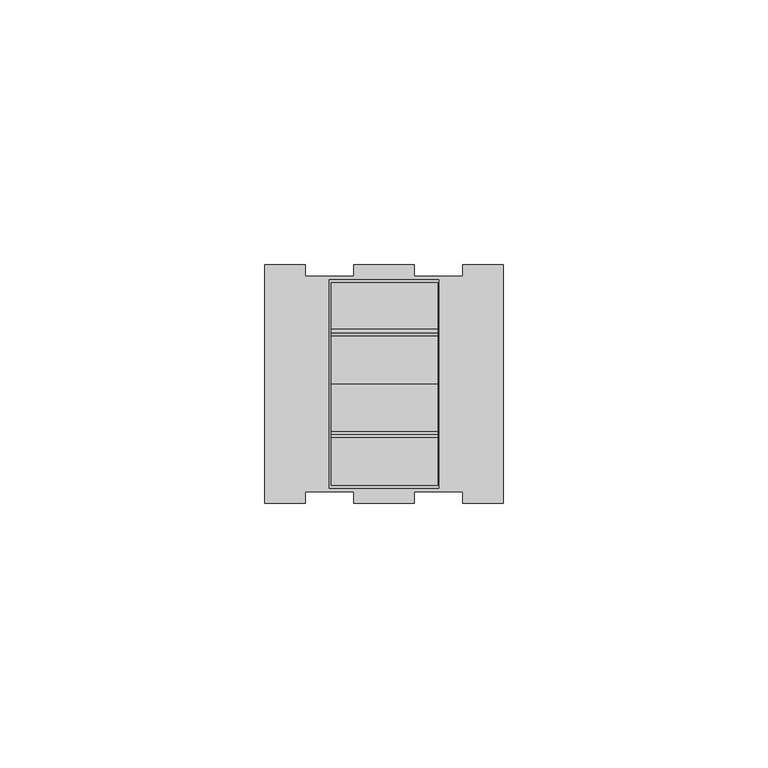
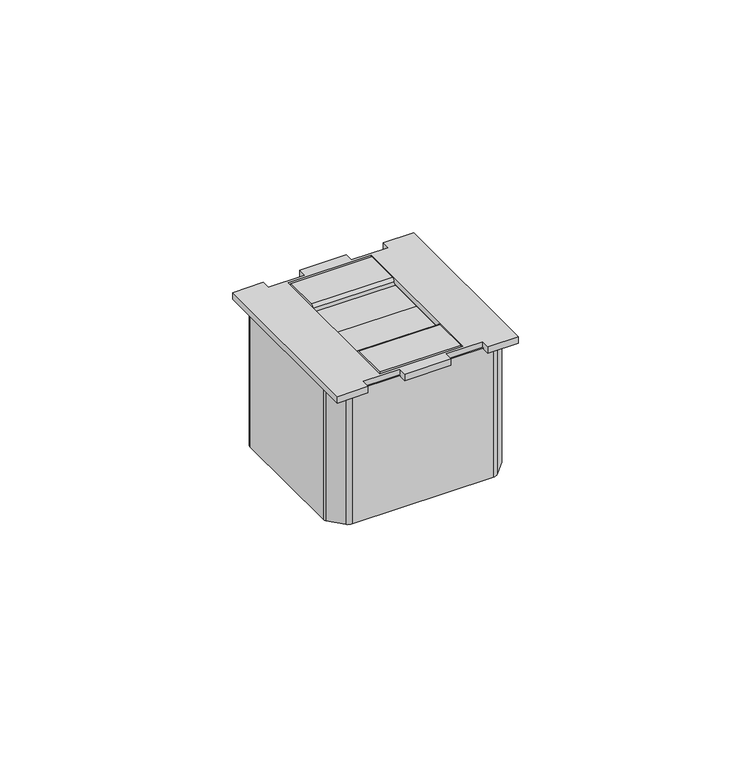
"""IFC4 building model written with IfcOpenShell, lengths in millimetres: proxy geometry."""

from ifc_helpers import new_model, si_unit, point, frame, frame_2d, origin, origin_with_axes, place, context, project, spatial, polyline, circle_curve, trimmed, segment, composite_curve, outline, extrude, source, transform, mapped, element, save


def electrical_fixtures_692cff9f(model_context):
    return source(origin(), model_context, "Body", "SweptSolid", [
        extrude(outline(composite_curve([segment(trimmed(circle_curve(frame_2d((12.3110273, 0.9740217)), 0.7429406), [point((12.3110273, 1.7169623))], [point((13.0539679, 0.9740217))], False, "CARTESIAN"), True, "CONTINUOUS"), segment(trimmed(circle_curve(frame_2d((13.6226634, 0.9740217)), 0.5686955), [point((13.0539679, 0.9740217))], [point((13.6226634, 0.4053262))], True, "CARTESIAN"), True, "CONTINUOUS"), segment(polyline([(13.6226634, 0.4053262), (22.5, 0.4053262), (31.570381, 0.4053262)]), True, "CONTINUOUS"), segment(trimmed(circle_curve(frame_2d((31.570381, 0.9740217)), 0.5686955), [point((31.570381, 0.4053262))], [point((32.1390765, 0.9740217))], True, "CARTESIAN"), True, "CONTINUOUS"), segment(trimmed(circle_curve(frame_2d((32.8820172, 0.9740217)), 0.7429406), [point((32.1390765, 0.9740217))], [point((32.8820172, 1.7169623))], False, "CARTESIAN"), True, "CONTINUOUS"), segment(polyline([(32.8820172, 1.7169623), (41.590183, 1.7169623), (41.590183, 0.0), (3.409817, 0.0), (3.409817, 1.7169623), (12.3110273, 1.7169623)]), True, "CONTINUOUS")], self_intersect=False)), frame((12.509778, 0.0, 0.0), z_axis=(1.0, 0.0, 0.0), x_axis=(0.0, 1.0, 0.0)), (0.0, 0.0, 1.0), 20.122998),
        extrude(outline(composite_curve([segment(trimmed(circle_curve(frame_2d((22.9785709, 22.0163771)), 28.0250427), [point((0.6708855, 38.9801677))], [point((3.6496058, 42.3090883))], False, "CARTESIAN"), True, "CONTINUOUS"), segment(trimmed(circle_curve(frame_2d((5.0058625, 40.8852084)), 1.9664349), [point((3.6496058, 42.3090883))], [point((5.0058625, 42.8516432))], False, "CARTESIAN"), True, "CONTINUOUS"), segment(polyline([(5.0058625, 42.8516432), (39.9941375, 42.8516432)]), True, "CONTINUOUS"), segment(trimmed(circle_curve(frame_2d((39.9941375, 40.8852084)), 1.9664349), [point((39.9941375, 42.8516432))], [point((41.3503942, 42.3090883))], False, "CARTESIAN"), True, "CONTINUOUS"), segment(trimmed(circle_curve(frame_2d((22.0214291, 22.0163771)), 28.0250427), [point((41.3503942, 42.3090883))], [point((44.3291145, 38.9801677))], False, "CARTESIAN"), True, "CONTINUOUS"), segment(trimmed(circle_curve(frame_2d((43.3665201, 38.2481666)), 1.2093029), [point((44.3291145, 38.9801677))], [point((44.575823, 38.2481666))], False, "CARTESIAN"), True, "CONTINUOUS"), segment(polyline([(44.575823, 38.2481666), (44.575823, 6.7518334)]), True, "CONTINUOUS"), segment(trimmed(circle_curve(frame_2d((43.3665201, 6.7518334)), 1.2093029), [point((44.575823, 6.7518334))], [point((44.3291145, 6.0198323))], False, "CARTESIAN"), True, "CONTINUOUS"), segment(trimmed(circle_curve(frame_2d((22.0214291, 22.9836229)), 28.0250427), [point((44.3291145, 6.0198323))], [point((41.3503942, 2.6909117))], False, "CARTESIAN"), True, "CONTINUOUS"), segment(trimmed(circle_curve(frame_2d((39.9941375, 4.1147916)), 1.9664349), [point((41.3503942, 2.6909117))], [point((39.9941375, 2.1483568))], False, "CARTESIAN"), True, "CONTINUOUS"), segment(polyline([(39.9941375, 2.1483568), (5.0058625, 2.1483568)]), True, "CONTINUOUS"), segment(trimmed(circle_curve(frame_2d((5.0058625, 4.1147916)), 1.9664349), [point((5.0058625, 2.1483568))], [point((3.6496058, 2.6909117))], False, "CARTESIAN"), True, "CONTINUOUS"), segment(trimmed(circle_curve(frame_2d((22.9785709, 22.9836229)), 28.0250427), [point((3.6496058, 2.6909117))], [point((0.6708855, 6.0198323))], False, "CARTESIAN"), True, "CONTINUOUS"), segment(trimmed(circle_curve(frame_2d((1.6334799, 6.7518334)), 1.2093029), [point((0.6708855, 6.0198323))], [point((0.424177, 6.7518334))], False, "CARTESIAN"), True, "CONTINUOUS"), segment(polyline([(0.424177, 6.7518334), (0.424177, 38.2481666)]), True, "CONTINUOUS"), segment(trimmed(circle_curve(frame_2d((1.6334799, 38.2481666)), 1.2093029), [point((0.424177, 38.2481666))], [point((0.6708855, 38.9801677))], False, "CARTESIAN"), True, "CONTINUOUS")], self_intersect=False)), frame((0.0, 0.0, -34.75), z_axis=(0.0, 0.0, 1.0), x_axis=(1.0, 0.0, 0.0)), (0.0, 0.0, 1.0), 34.75),
        extrude(outline(polyline([(0.0, 0.0), (0.0, 45.0), (7.6006171, 45.0), (7.6006171, 42.8516432), (16.7465582, 42.8516432), (16.7465582, 45.0), (28.2534418, 45.0), (28.2534418, 42.8516432), (37.3993829, 42.8516432), (37.3993829, 45.0), (45.0, 45.0), (45.0, 0.0), (37.3993829, 0.0), (37.3993829, 2.1483568), (28.2534418, 2.1483568), (28.2534418, 0.0), (16.7465582, 0.0), (16.7465582, 2.1483568), (7.6006171, 2.1483568), (7.6006171, 0.0), (0.0, 0.0)]), holes=[polyline([(32.8264124, 42.2266432), (12.1735876, 42.2266432), (12.1735876, 2.7733568), (32.8264124, 2.7733568), (32.8264124, 42.2266432)])]), origin_with_axes(), (0.0, 0.0, 1.0), 1.7169623),
    ])


if __name__ == "__main__":
    model = new_model("IFC4")
    model_context = context("Model", 3, world=origin())
    ifc_project = project(units=[si_unit("LENGTHUNIT", "METRE", prefix="MILLI")], contexts=[model_context])
    site = spatial("IfcSite", under=ifc_project)
    building = spatial("IfcBuilding", under=site)
    placement = place(None, origin())
    electrical_fixtures_shape = electrical_fixtures_692cff9f(model_context)
    element("IfcBuildingElementProxy", 1, Name="Electrical Fixtures", at=placement, inside=building, context=model_context, shape_type="MappedRepresentation", body=[
        mapped(electrical_fixtures_shape, transform((0.0, 0.0, 0.0), x_axis=(1.0, 0.0, 0.0), y_axis=(0.0, 1.0, 0.0), z_axis=(0.0, 0.0, 1.0))),
    ])
    save(model, "model.ifc")
